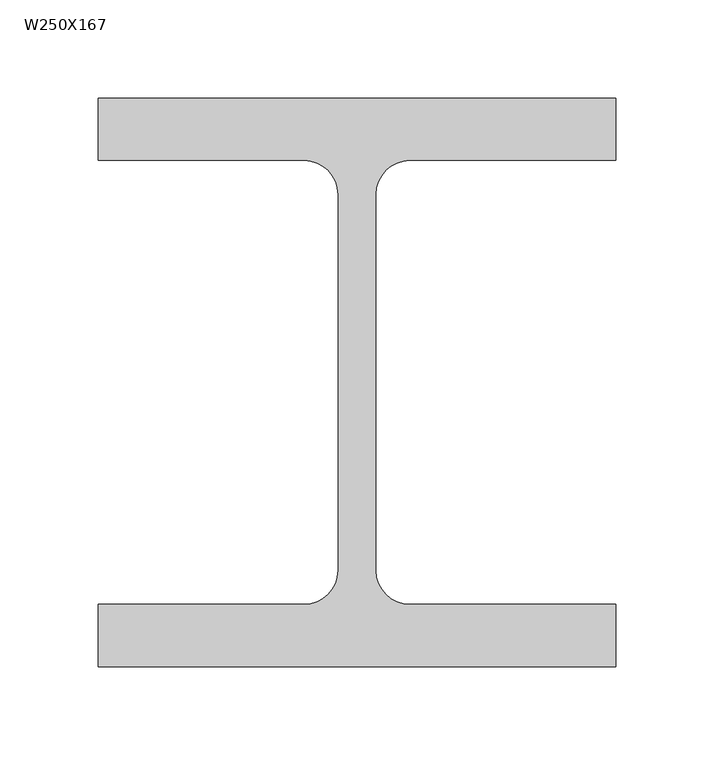
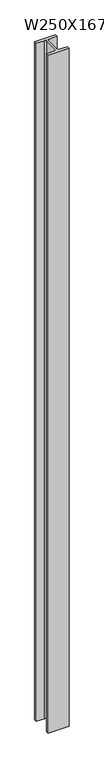
"""IFC4 building model written with IfcOpenShell, lengths in millimetres: column geometry, W250X167."""

from ifc_helpers import new_model, si_unit, point, frame_2d, origin, origin_with_axes, place, context, project, spatial, polyline, circle_curve, trimmed, segment, composite_curve, outline, extrude, source, transform, mapped, element, save


def w250x167_88d1b456(model_context):
    return source(origin(), model_context, "Body", "SweptSolid", [
        extrude(outline(composite_curve([segment(polyline([(132.0, 145.0), (132.0, 113.2), (27.0, 113.2)]), True, "CONTINUOUS"), segment(trimmed(circle_curve(frame_2d((27.0, 95.8)), 17.4), [point((27.0, 113.2))], [point((9.6, 95.8))], True, "CARTESIAN"), True, "CONTINUOUS"), segment(polyline([(9.6, 95.8), (9.6, -95.8)]), True, "CONTINUOUS"), segment(trimmed(circle_curve(frame_2d((27.0, -95.8)), 17.4), [point((9.6, -95.8))], [point((27.0, -113.2))], True, "CARTESIAN"), True, "CONTINUOUS"), segment(polyline([(27.0, -113.2), (132.0, -113.2), (132.0, -145.0), (-132.0, -145.0), (-132.0, -113.2), (-27.0, -113.2)]), True, "CONTINUOUS"), segment(trimmed(circle_curve(frame_2d((-27.0, -95.8)), 17.4), [point((-27.0, -113.2))], [point((-9.6, -95.8))], True, "CARTESIAN"), True, "CONTINUOUS"), segment(polyline([(-9.6, -95.8), (-9.6, 95.8)]), True, "CONTINUOUS"), segment(trimmed(circle_curve(frame_2d((-27.0, 95.8)), 17.4), [point((-9.6, 95.8))], [point((-27.0, 113.2))], True, "CARTESIAN"), True, "CONTINUOUS"), segment(polyline([(-27.0, 113.2), (-132.0, 113.2), (-132.0, 145.0), (132.0, 145.0)]), True, "CONTINUOUS")], self_intersect=False)), origin_with_axes(), (0.0, 0.0, 1.0), 9000.0),
    ])


if __name__ == "__main__":
    model = new_model("IFC4")
    model_context = context("Model", 3, world=origin())
    ifc_project = project(units=[si_unit("LENGTHUNIT", "METRE", prefix="MILLI")], contexts=[model_context])
    site = spatial("IfcSite", under=ifc_project)
    building = spatial("IfcBuilding", under=site)
    placement = place(None, origin())
    w250x167_shape = w250x167_88d1b456(model_context)
    element("IfcColumn", 1, ObjectType="W250X167", at=placement, inside=building, context=model_context, shape_type="MappedRepresentation", body=[
        mapped(w250x167_shape, transform((0.0, 0.0, 0.0), x_axis=(1.0, 0.0, 0.0), y_axis=(0.0, 1.0, 0.0), z_axis=(0.0, 0.0, 1.0))),
    ])
    save(model, "model.ifc")
